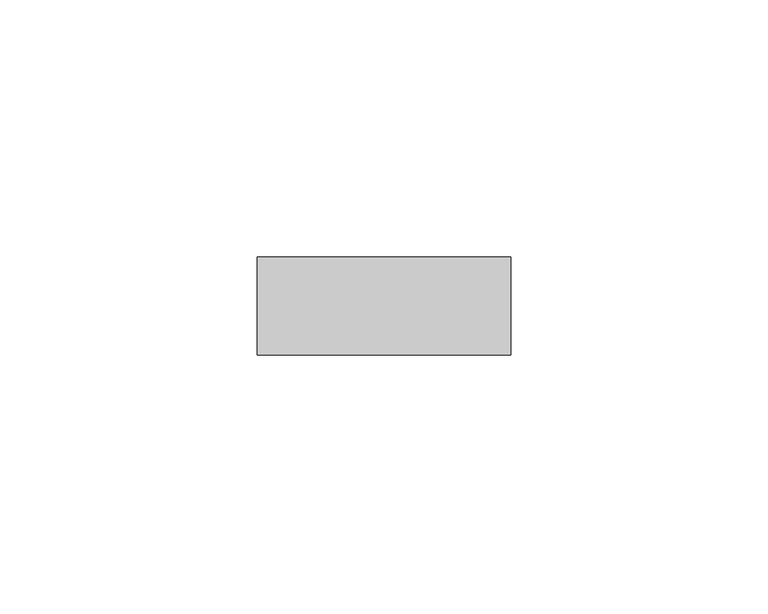
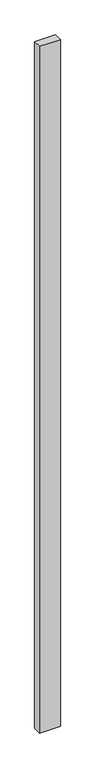
"""IFC4 building model written with IfcOpenShell, lengths in millimetres: plate geometry."""

from ifc_helpers import new_model, si_unit, origin, origin_with_axes, place, context, project, spatial, polyline, outline, extrude, source, transform, mapped, element, save


def plate_2f9d3bdb(model_context):
    return source(origin(), model_context, "Body", "SweptSolid", [
        extrude(outline(polyline([(24.6340206, -9.525), (-24.6340206, -9.525), (-24.6340206, 9.525), (24.6340206, 9.525), (24.6340206, -9.525)])), origin_with_axes(), (0.0, 0.0, 1.0), 1708.8912252),
    ])


if __name__ == "__main__":
    model = new_model("IFC4")
    model_context = context("Model", 3, world=origin())
    ifc_project = project(units=[si_unit("LENGTHUNIT", "METRE", prefix="MILLI")], contexts=[model_context])
    site = spatial("IfcSite", under=ifc_project)
    building = spatial("IfcBuilding", under=site)
    placement = place(None, origin())
    plate_shape = plate_2f9d3bdb(model_context)
    element("IfcPlate", 1, at=placement, inside=building, context=model_context, shape_type="MappedRepresentation", body=[
        mapped(plate_shape, transform((0.0, 0.0, 0.0), x_axis=(1.0, 0.0, 0.0), y_axis=(0.0, 1.0, 0.0), z_axis=(0.0, 0.0, 1.0))),
    ])
    save(model, "model.ifc")
